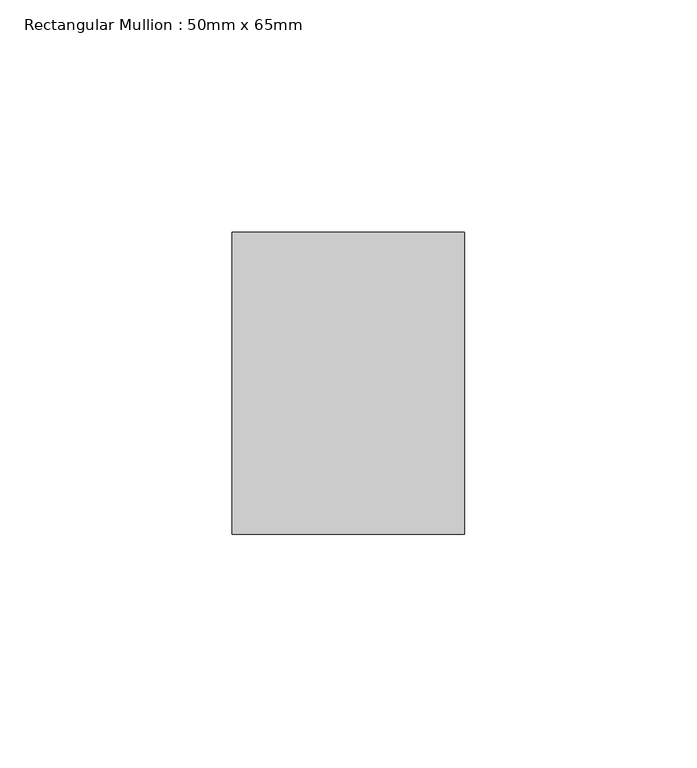
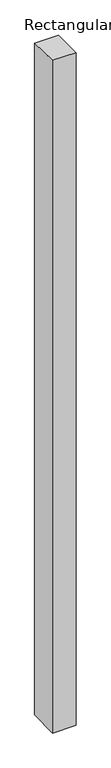
"""IFC4 building model written with IfcOpenShell, lengths in millimetres: member geometry, Rectangular Mullion : 50mm x 65mm."""

from ifc_helpers import new_model, si_unit, origin, place, context, project, spatial, faceted_brep, source, transform, mapped, element, save


def rectangular_mullion_50mm_x_65mm_91ed70a3(model_context):
    return source(origin(), model_context, "Body", "Brep", [
        faceted_brep([(-25.0, 32.5, -0.4518164), (25.0, 32.5, -0.4518128), (25.0, 32.5, -1499.4317014), (-25.0, 32.5, -1499.4316969), (-25.0, -32.5, 0.4518128), (-25.0, -32.5, -1500.5683361), (25.0, -32.5, 0.4518164), (25.0, -32.5, -1500.5683407)], [[[0, 1, 2, 3]], [[4, 0, 3, 5]], [[6, 4, 5, 7]], [[1, 6, 7, 2]], [[1, 0, 4, 6]], [[2, 7, 5, 3]]]),
    ])


if __name__ == "__main__":
    model = new_model("IFC4")
    model_context = context("Model", 3, world=origin())
    ifc_project = project(units=[si_unit("LENGTHUNIT", "METRE", prefix="MILLI")], contexts=[model_context])
    site = spatial("IfcSite", under=ifc_project)
    building = spatial("IfcBuilding", under=site)
    placement = place(None, origin())
    rectangular_mullion_50mm_x_65mm_shape = rectangular_mullion_50mm_x_65mm_91ed70a3(model_context)
    element("IfcMember", 1, ObjectType="Rectangular Mullion : 50mm x 65mm", at=placement, inside=building, context=model_context, shape_type="MappedRepresentation", body=[
        mapped(rectangular_mullion_50mm_x_65mm_shape, transform((0.0, 0.0, 0.0), x_axis=(1.0, 0.0, 0.0), y_axis=(0.0, 1.0, 0.0), z_axis=(0.0, 0.0, 1.0))),
    ])
    save(model, "model.ifc")
